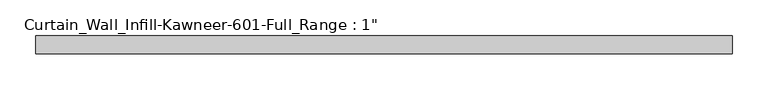
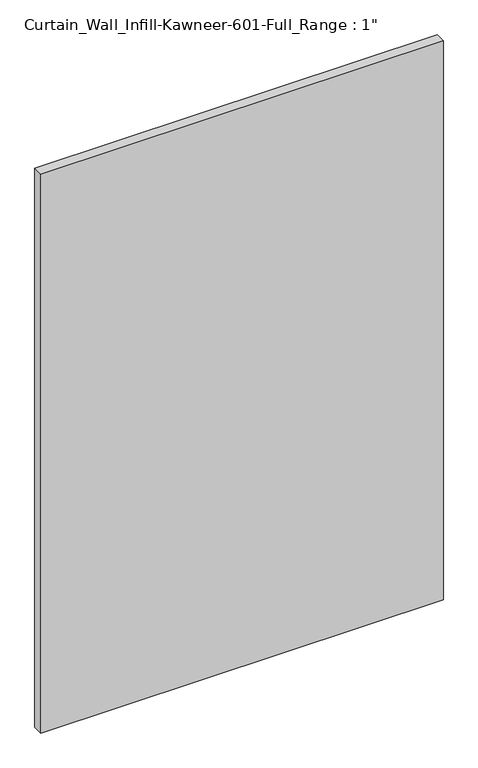
"""IFC4 building model written with IfcOpenShell, lengths in millimetres: plate geometry."""

import ifcopenshell
import ifcopenshell.guid

model = None  # the IFC model being written
_history = None  # IfcOwnerHistory: only IFC2X3 demands one
_inside = {}  # id of a spatial element -> (the spatial element, [elements in it])
_under = {}  # id of a project, library or spatial element -> (it, [spatial elements below it])
_declared = {}  # id of a project -> (the project, [libraries it declares])
_typed = {}  # id of a type object -> (the type object, [elements of that type])
_made_of = {}  # id of a material, layer set ... -> (it, [elements and type objects made of it])


def new_model(schema):
    """Start an empty IFC model of exactly this schema.

    Asked for "IFC4X3", IfcOpenShell would pick the latest addendum, in which some entities
    have other attributes; the version numbers below select the first issue.
    IFC2X3 requires an IfcOwnerHistory on every rooted entity: one is made here for all.
    """
    global model, _history
    if schema == "IFC4X3":
        model = ifcopenshell.file(schema_version=(4, 3, 0, 0))
    else:
        model = ifcopenshell.file(schema=schema)
    _inside.clear()
    _under.clear()
    _declared.clear()
    _typed.clear()
    _made_of.clear()
    _history = None
    if model.schema == "IFC2X3":
        org = make("IfcOrganization", Name="unknown")
        user = make(
            "IfcPersonAndOrganization",
            ThePerson=make("IfcPerson", FamilyName="unknown"),
            TheOrganization=org,
        )
        app = make(
            "IfcApplication",
            ApplicationDeveloper=org,
            Version="unknown",
            ApplicationFullName="unknown",
            ApplicationIdentifier="unknown",
        )
        _history = make(
            "IfcOwnerHistory",
            OwningUser=user,
            OwningApplication=app,
            ChangeAction="ADDED",
            CreationDate=0,
        )
    return model


def make(cls, **values):
    """One entity of the class cls with the attributes given. An attribute that is None is left unset."""
    return model.create_entity(
        cls, **{name: value for name, value in values.items() if value is not None}
    )


def rooted(cls, **values):
    """An entity with a GlobalId (a new one), such as an element, a storey or a relation."""
    return make(cls, GlobalId=ifcopenshell.guid.new(), OwnerHistory=_history, **values)


def si_unit(unit_type, name, prefix=None):
    """IfcSIUnit, for example si_unit("LENGTHUNIT", "METRE", prefix="MILLI")."""
    return make("IfcSIUnit", UnitType=unit_type, Prefix=prefix, Name=name)


def assignment(units):
    """IfcUnitAssignment: the units of a project."""
    return None if units is None else make("IfcUnitAssignment", Units=units)


def point(xyz):
    """IfcCartesianPoint."""
    return None if xyz is None else make("IfcCartesianPoint", Coordinates=xyz)


def direction(xyz):
    """IfcDirection."""
    return None if xyz is None else make("IfcDirection", DirectionRatios=xyz)


def frame(location, z_axis=None, x_axis=None):
    """IfcAxis2Placement3D, a coordinate frame: its origin and axes. An axis left out is left unset."""
    return make(
        "IfcAxis2Placement3D",
        Location=point(location),
        Axis=direction(z_axis),
        RefDirection=direction(x_axis),
    )


def origin():
    """The frame at (0, 0, 0) with its axes left unset."""
    return frame((0.0, 0.0, 0.0))


def origin_with_axes():
    """The frame at (0, 0, 0) with the z axis (0, 0, 1) and the x axis (1, 0, 0) written out."""
    return frame((0.0, 0.0, 0.0), z_axis=(0.0, 0.0, 1.0), x_axis=(1.0, 0.0, 0.0))


def place(relative_to, where):
    """IfcLocalPlacement: puts the frame where relative to a parent placement (None: the world)."""
    return make(
        "IfcLocalPlacement", PlacementRelTo=relative_to, RelativePlacement=where
    )


def context(
    kind, dimensions, precision=None, world=None, true_north=None, identifier=None
):
    """IfcGeometricRepresentationContext, for example the 3D "Model" context."""
    return make(
        "IfcGeometricRepresentationContext",
        ContextIdentifier=identifier,
        ContextType=kind,
        CoordinateSpaceDimension=dimensions,
        Precision=precision,
        WorldCoordinateSystem=world,
        TrueNorth=true_north,
    )


def project(units=None, contexts=None):
    """IfcProject with its units and contexts."""
    return rooted(
        "IfcProject",
        Name="project",
        RepresentationContexts=contexts,
        UnitsInContext=assignment(units),
    )


def spatial(cls, under=None, at=None, **own):
    """A site, building, storey or space (cls), placed at a placement, below another one or the project."""
    s = rooted(cls, ObjectPlacement=at, **own)
    if under is not None:
        _under.setdefault(under.id(), (under, []))[1].append(s)
    return s


def polyline(points):
    """IfcPolyline through the points."""
    return make("IfcPolyline", Points=[point(p) for p in points])


def outline(outer, holes=None, kind="AREA"):
    """IfcArbitraryClosedProfileDef: a profile drawn as a closed curve; with holes, ...WithVoids."""
    if holes is None:
        return make("IfcArbitraryClosedProfileDef", ProfileType=kind, OuterCurve=outer)
    return make(
        "IfcArbitraryProfileDefWithVoids",
        ProfileType=kind,
        OuterCurve=outer,
        InnerCurves=holes,
    )


def extrude(swept, where, along, depth):
    """IfcExtrudedAreaSolid: the profile swept, set in the frame where, extruded along a direction by depth."""
    return make(
        "IfcExtrudedAreaSolid",
        SweptArea=swept,
        Position=where,
        ExtrudedDirection=direction(along),
        Depth=depth,
    )


def shape(context_of_items, identifier, shape_type, items):
    """IfcShapeRepresentation: the items that make up one representation, for example the "Body"."""
    return make(
        "IfcShapeRepresentation",
        ContextOfItems=context_of_items,
        RepresentationIdentifier=identifier,
        RepresentationType=shape_type,
        Items=items,
    )


def source(mapping_origin, context_of_items, identifier, shape_type, items):
    """IfcRepresentationMap: a shape defined once, which mapped items show again and again."""
    return make(
        "IfcRepresentationMap",
        MappingOrigin=mapping_origin,
        MappedRepresentation=shape(context_of_items, identifier, shape_type, items),
    )


def transform(
    local_origin,
    x_axis=None,
    y_axis=None,
    z_axis=None,
    scale=None,
    scale2=None,
    scale3=None,
    uniform=True,
):
    """IfcCartesianTransformationOperator3D, or its non-uniform kind. x_axis, y_axis, z_axis: its Axis1, 2, 3."""
    if uniform:
        return make(
            "IfcCartesianTransformationOperator3D",
            Axis1=direction(x_axis),
            Axis2=direction(y_axis),
            LocalOrigin=point(local_origin),
            Scale=scale,
            Axis3=direction(z_axis),
        )
    return make(
        "IfcCartesianTransformationOperator3DnonUniform",
        Axis1=direction(x_axis),
        Axis2=direction(y_axis),
        LocalOrigin=point(local_origin),
        Scale=scale,
        Axis3=direction(z_axis),
        Scale2=scale2,
        Scale3=scale3,
    )


def mapped(mapping_source, mapping_target):
    """IfcMappedItem: shows the shape of a source again, moved by a transform."""
    return make(
        "IfcMappedItem", MappingSource=mapping_source, MappingTarget=mapping_target
    )


def made_of(thing, what):
    """Note that an element or type object is made of a material, layer set ...; save() writes the relation."""
    if what is not None:
        _made_of.setdefault(what.id(), (what, []))[1].append(thing)
    return thing


def element(
    cls,
    number,
    at=None,
    inside=None,
    cuts=None,
    type_object=None,
    material=None,
    context=None,
    identifier="Body",
    shape_type=None,
    held_by="IfcProductDefinitionShape",
    body=None,
    shapes=None,
    **own,
):
    """One element of the class cls, such as IfcWall. Its Tag is "e" and its number.

    at: its placement. inside: the storey or other place that contains it. cuts: it is an
    opening in that element (IfcRelVoidsElement). A single representation is given by context,
    identifier, shape_type and body (its items); several are given by shapes. held_by: the class
    of the entity that holds the representations. save() writes the other relations.
    """
    e = rooted(cls, Tag="e%d" % number, ObjectPlacement=at, **own)
    if body is not None:
        shapes = [shape(context, identifier, shape_type, body)]
    if shapes is not None:
        e.Representation = make(held_by, Representations=shapes)
    if inside is not None:
        _inside.setdefault(inside.id(), (inside, []))[1].append(e)
    if cuts is not None:
        rooted(
            "IfcRelVoidsElement", RelatingBuildingElement=cuts, RelatedOpeningElement=e
        )
    if type_object is not None:
        _typed.setdefault(type_object.id(), (type_object, []))[1].append(e)
    return made_of(e, material)


def aggregate(whole, parts):
    """IfcRelAggregates: a whole, such as a stair, and the parts it consists of."""
    return rooted("IfcRelAggregates", RelatingObject=whole, RelatedObjects=parts)


def save(model, path):
    """Write the relations noted so far, then the file.

    IfcRelAggregates (storeys below a building ...), IfcRelContainedInSpatialStructure (elements
    in a storey), IfcRelDefinesByType, IfcRelAssociatesMaterial and IfcRelDeclares: one each for
    every whole, place, type object, material and project.
    """
    for whole, parts in _under.values():
        aggregate(whole, parts)
    for where, things in _inside.values():
        rooted(
            "IfcRelContainedInSpatialStructure",
            RelatedElements=things,
            RelatingStructure=where,
        )
    for kind, things in _typed.values():
        rooted("IfcRelDefinesByType", RelatedObjects=things, RelatingType=kind)
    for what, things in _made_of.values():
        rooted("IfcRelAssociatesMaterial", RelatedObjects=things, RelatingMaterial=what)
    for by, libraries in _declared.values():
        rooted("IfcRelDeclares", RelatingContext=by, RelatedDefinitions=libraries)
    model.write(path)


def plate_c6228593(model_context):
    return source(origin(), model_context, "Body", "SweptSolid", [
        extrude(outline(polyline([(-498.475, 0.0), (-498.475, 25.4), (479.425, 25.4), (479.425, 0.0), (-498.475, 0.0)])), origin_with_axes(), (0.0, 0.0, 1.0), 1435.1),
    ])


if __name__ == "__main__":
    model = new_model("IFC4")
    model_context = context("Model", 3, world=origin())
    ifc_project = project(units=[si_unit("LENGTHUNIT", "METRE", prefix="MILLI")], contexts=[model_context])
    site = spatial("IfcSite", under=ifc_project)
    building = spatial("IfcBuilding", under=site)
    placement = place(None, origin())
    plate_shape = plate_c6228593(model_context)
    element("IfcPlate", 1, ObjectType="Curtain_Wall_Infill-Kawneer-601-Full_Range : 1\"", at=placement, inside=building, context=model_context, shape_type="MappedRepresentation", body=[
        mapped(plate_shape, transform((0.0, 0.0, 0.0), x_axis=(1.0, 0.0, 0.0), y_axis=(0.0, 1.0, 0.0), z_axis=(0.0, 0.0, 1.0))),
    ])
    save(model, "model.ifc")
